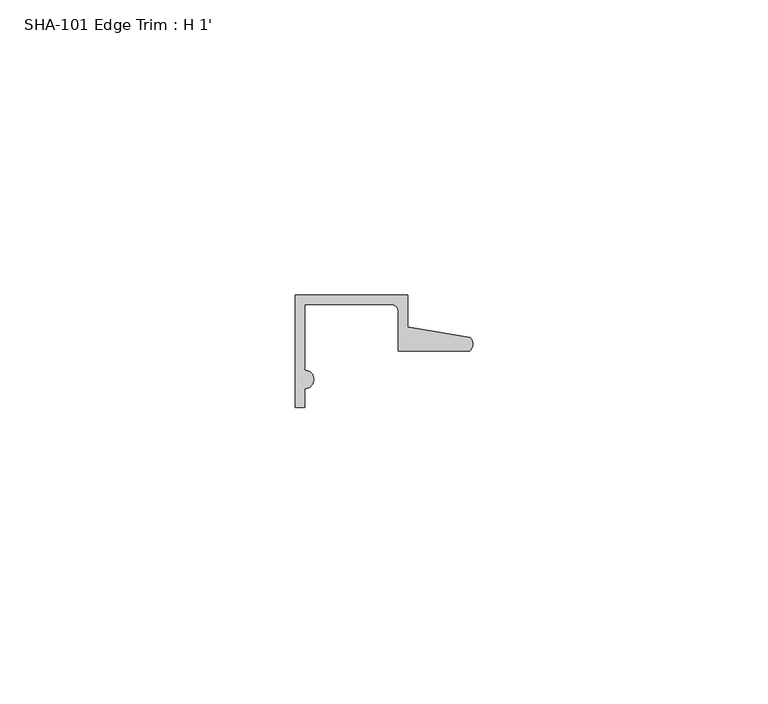
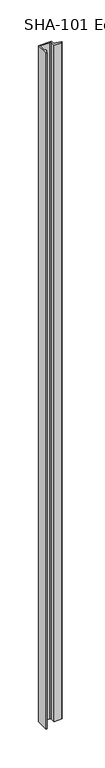
"""IFC4 building model written with IfcOpenShell, lengths in millimetres: proxy geometry, SHA-101 Edge Trim : H 1'."""

from ifc_helpers import new_model, si_unit, point, frame_2d, origin, origin_with_axes, place, context, project, spatial, polyline, circle_curve, trimmed, segment, composite_curve, outline, extrude, source, transform, mapped, element, save


def sha_101_edge_trim_h_1_2b5ac8ad(model_context):
    return source(origin(), model_context, "Body", "SweptSolid", [
        extrude(outline(composite_curve([segment(trimmed(circle_curve(frame_2d((1.5748, -14.2875)), 1.5748), [point((1.5748, -12.7127))], [point((1.5748, -15.8623))], False, "CARTESIAN"), True, "CONTINUOUS"), segment(polyline([(1.5748, -15.8623), (1.5748, -19.05), (0.0, -19.05), (0.0, 0.0), (19.0246, 0.0), (19.0246, -5.392657), (29.6006869, -7.2036308)]), True, "CONTINUOUS"), segment(trimmed(circle_curve(frame_2d((28.4438454, -8.3323235)), 1.6162393), [point((29.6006869, -7.2036308))], [point((29.5346031, -9.525))], False, "CARTESIAN"), True, "CONTINUOUS"), segment(polyline([(29.5346031, -9.525), (17.4498, -9.525), (17.4498, -2.8448)]), True, "CONTINUOUS"), segment(trimmed(circle_curve(frame_2d((16.1798, -2.8448)), 1.27), [point((17.4498, -2.8448))], [point((16.1798, -1.5748))], True, "CARTESIAN"), True, "CONTINUOUS"), segment(polyline([(16.1798, -1.5748), (1.5748, -1.5748), (1.5748, -12.7127)]), True, "CONTINUOUS")], self_intersect=False)), origin_with_axes(), (0.0, 0.0, 1.0), 1063.625),
    ])


if __name__ == "__main__":
    model = new_model("IFC4")
    model_context = context("Model", 3, world=origin())
    ifc_project = project(units=[si_unit("LENGTHUNIT", "METRE", prefix="MILLI")], contexts=[model_context])
    site = spatial("IfcSite", under=ifc_project)
    building = spatial("IfcBuilding", under=site)
    placement = place(None, origin())
    sha_101_edge_trim_h_1_shape = sha_101_edge_trim_h_1_2b5ac8ad(model_context)
    element("IfcBuildingElementProxy", 1, Name="SHA-101 Edge Trim : H 1'", ObjectType="SHA-101 Edge Trim : H 1'", at=placement, inside=building, context=model_context, shape_type="MappedRepresentation", body=[
        mapped(sha_101_edge_trim_h_1_shape, transform((0.0, 0.0, 0.0), x_axis=(1.0, 0.0, 0.0), y_axis=(0.0, 1.0, 0.0), z_axis=(0.0, 0.0, 1.0))),
    ])
    save(model, "model.ifc")
